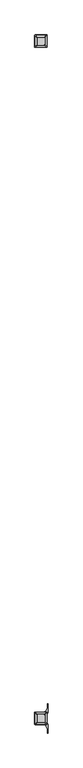
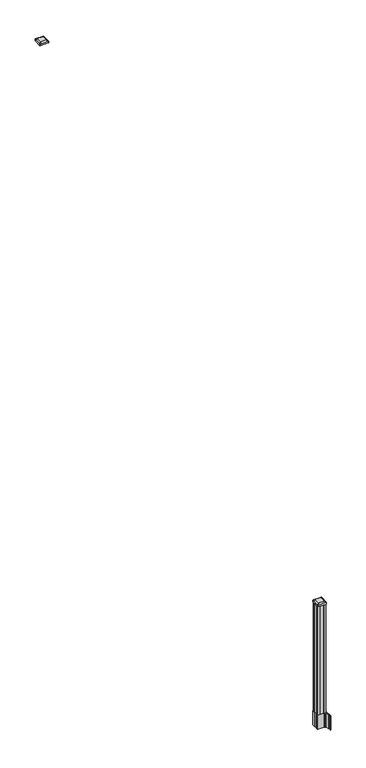
"""IFC4 building model written with IfcOpenShell, lengths in millimetres: railing geometry."""

from ifc_helpers import new_model, si_unit, point, frame, frame_2d, origin, place, context, project, spatial, polyline, circle_curve, trimmed, segment, composite_curve, outline, extrude, source, transform, mapped, element, save
from ifc_brep_helpers import plane_surface, extruded_surface, advanced_brep


def railing_0af5cdfb(model_context):
    return source(origin(), model_context, "Body", "SolidModel", [
        advanced_brep(
        [(8709.4626478, -82569.2327203, 4476.715513), (8712.6376478, -82566.0577203, 4476.715513), (8712.6376478, -82514.4639703, 4476.715513), (8709.4626478, -82511.2889703, 4476.715513), (8657.8688978, -82511.2889703, 4476.715513), (8654.6938978, -82514.4639703, 4476.715513), (8654.6938978, -82566.0577203, 4476.715513), (8657.8688978, -82569.2327203, 4476.715513), (8725.7345228, -82585.5045953, 4465.412513), (8641.5970228, -82585.5045953, 4465.412513), (8638.4220228, -82582.3295953, 4465.412513), (8638.4220228, -82498.1920953, 4465.412513), (8641.5970228, -82495.0170953, 4465.412513), (8725.7345228, -82495.0170953, 4465.412513), (8728.9095228, -82498.1920953, 4465.412513), (8728.9095228, -82582.3295953, 4465.412513)],
        [
            (0, 1, circle_curve(frame((8709.4626478, -82566.0577203, 4476.715513), z_axis=(0.0, 0.0, 1.0), x_axis=(0.0, 1.0, 0.0)), 3.175)),
            (1, 2),
            (2, 3, circle_curve(frame((8709.4626478, -82514.4639703, 4476.715513), z_axis=(0.0, 0.0, 1.0), x_axis=(0.0, 1.0, 0.0)), 3.175)),
            (3, 4),
            (4, 5, circle_curve(frame((8657.8688978, -82514.4639703, 4476.715513), z_axis=(0.0, 0.0, 1.0), x_axis=(0.0, 1.0, 0.0)), 3.175)),
            (5, 6),
            (6, 7, circle_curve(frame((8657.8688978, -82566.0577203, 4476.715513), z_axis=(0.0, 0.0, 1.0), x_axis=(0.0, 1.0, 0.0)), 3.175)),
            (7, 0),
            (8, 9),
            (9, 10, circle_curve(frame((8641.5970228, -82582.3295953, 4465.412513), z_axis=(0.0, 0.0, -1.0), x_axis=(0.0, 1.0, 0.0)), 3.175)),
            (10, 11),
            (11, 12, circle_curve(frame((8641.5970228, -82498.1920953, 4465.412513), z_axis=(0.0, 0.0, -1.0), x_axis=(0.0, 1.0, 0.0)), 3.175)),
            (12, 13),
            (13, 14, circle_curve(frame((8725.7345228, -82498.1920953, 4465.412513), z_axis=(0.0, 0.0, -1.0), x_axis=(0.0, 1.0, 0.0)), 3.175)),
            (14, 15),
            (15, 8, circle_curve(frame((8725.7345228, -82582.3295953, 4465.412513), z_axis=(0.0, 0.0, -1.0), x_axis=(0.0, 1.0, 0.0)), 3.175)),
            (15, 1),
            (0, 8),
            (14, 2),
            (13, 3),
            (12, 4),
            (11, 5),
            (10, 6),
            (9, 7),
        ],
        [
            plane_surface(frame((8683.6657728, -82540.2608453, 4476.715513), z_axis=(0.0, 0.0, 1.0), x_axis=(1.0, 0.0, 0.0))),
            plane_surface(frame((8683.6657728, -82540.2608453, 4465.412513), z_axis=(0.0, 0.0, -1.0), x_axis=(1.0, 0.0, 0.0))),
            extruded_surface(trimmed(circle_curve(frame((8725.7345228, -82582.3295953, 4465.412513), z_axis=(0.0, 0.0, 1.0), x_axis=(0.0, 1.0, 0.0)), 3.175), [point((8725.7345228, -82585.5045953, 4465.412513))], [point((8728.9095228, -82582.3295953, 4465.412513))], True, "CARTESIAN"), (-16.271875000000364, 16.27187500000582, 11.302999999999884), 25.637972638870036),
            plane_surface(frame((8728.9095228, -82540.2608453, 4465.412513), z_axis=(0.5705009161540685, 0.0, 0.8212969649690474), x_axis=(0.0, 1.0, 0.0))),
            extruded_surface(trimmed(circle_curve(frame((8725.7345228, -82498.1920953, 4465.412513), z_axis=(0.0, 0.0, 1.0), x_axis=(0.0, 1.0, 0.0)), 3.175), [point((8728.9095228, -82498.1920953, 4465.412513))], [point((8725.7345228, -82495.0170953, 4465.412513))], True, "CARTESIAN"), (-16.271875000000364, -16.27187500000582, 11.302999999999884), 25.637972638870036),
            plane_surface(frame((8683.6657728, -82495.0170953, 4465.412513), z_axis=(0.0, 0.5705009161540291, 0.8212969649690747), x_axis=(-1.0, 0.0, 0.0))),
            extruded_surface(trimmed(circle_curve(frame((8641.5970228, -82498.1920953, 4465.412513), z_axis=(0.0, 0.0, 1.0), x_axis=(0.0, 1.0, 0.0)), 3.175), [point((8641.5970228, -82495.0170953, 4465.412513))], [point((8638.4220228, -82498.1920953, 4465.412513))], True, "CARTESIAN"), (16.271874999998545, -16.27187500000582, 11.302999999999884), 25.63797263886888),
            plane_surface(frame((8638.4220228, -82540.2608453, 4465.412513), z_axis=(-0.5705009161540235, 0.0, 0.8212969649690786), x_axis=(0.0, -1.0, 0.0))),
            extruded_surface(trimmed(circle_curve(frame((8641.5970228, -82582.3295953, 4465.412513), z_axis=(0.0, 0.0, 1.0), x_axis=(0.0, 1.0, 0.0)), 3.175), [point((8638.4220228, -82582.3295953, 4465.412513))], [point((8641.5970228, -82585.5045953, 4465.412513))], True, "CARTESIAN"), (16.271874999998545, 16.27187500000582, 11.302999999999884), 25.63797263886888),
            plane_surface(frame((8683.6657728, -82585.5045953, 4465.412513), z_axis=(0.0, -0.570500916154034, 0.8212969649690713), x_axis=(1.0, 0.0, 0.0))),
        ],
        [
            (0, [[1, 2, 3, 4, 5, 6, 7, 8]]),
            (1, [[9, 10, 11, 12, 13, 14, 15, 16]]),
            (2, [[-16, 17, -1, 18]]),
            (3, [[-15, 19, -2, -17]]),
            (4, [[-14, 20, -3, -19]]),
            (5, [[-13, 21, -4, -20]]),
            (6, [[-12, 22, -5, -21]]),
            (7, [[-11, 23, -6, -22]]),
            (8, [[-10, 24, -7, -23]]),
            (9, [[-9, -18, -8, -24]]),
        ],
    ),
        extrude(outline(composite_curve([segment(polyline([(8725.7345228, -82585.5045953), (8641.5970228, -82585.5045953)]), True, "CONTINUOUS"), segment(trimmed(circle_curve(frame_2d((8641.5970228, -82582.3295953)), 3.175), [point((8641.5970228, -82585.5045953))], [point((8638.4220228, -82582.3295953))], False, "CARTESIAN"), True, "CONTINUOUS"), segment(polyline([(8638.4220228, -82582.3295953), (8638.4220228, -82498.1920953)]), True, "CONTINUOUS"), segment(trimmed(circle_curve(frame_2d((8641.5970228, -82498.1920953)), 3.175), [point((8638.4220228, -82498.1920953))], [point((8641.5970228, -82495.0170953))], False, "CARTESIAN"), True, "CONTINUOUS"), segment(polyline([(8641.5970228, -82495.0170953), (8725.7345228, -82495.0170953)]), True, "CONTINUOUS"), segment(trimmed(circle_curve(frame_2d((8725.7345228, -82498.1920953)), 3.175), [point((8725.7345228, -82495.0170953))], [point((8728.9095228, -82498.1920953))], False, "CARTESIAN"), True, "CONTINUOUS"), segment(polyline([(8728.9095228, -82498.1920953), (8728.9095228, -82582.3295953)]), True, "CONTINUOUS"), segment(trimmed(circle_curve(frame_2d((8725.7345228, -82582.3295953)), 3.175), [point((8728.9095228, -82582.3295953))], [point((8725.7345228, -82585.5045953))], False, "CARTESIAN"), True, "CONTINUOUS")], self_intersect=False)), frame((0.0, 0.0, 4448.140513), z_axis=(0.0, 0.0, 1.0), x_axis=(1.0, 0.0, 0.0)), (0.0, 0.0, 1.0), 17.272),
        extrude(outline(composite_curve([segment(polyline([(8640.9302728, -87517.2509401), (8640.9302728, -87482.4787504), (8639.3427728, -87481.7167504), (8639.3427728, -87458.9148224), (8642.7157498, -87455.5418453), (8704.1754206, -87455.5418453), (8704.1754206, -87454.6210953), (8709.4929645, -87454.6210953), (8709.4929645, -87453.1668406), (8714.5774942, -87453.1668406), (8714.5774942, -87451.8828168), (8716.2447665, -87451.8828168)]), True, "CONTINUOUS"), segment(trimmed(circle_curve(frame_2d((8716.2447665, -87444.8233569)), 7.0594599), [point((8716.2447665, -87451.8828168))], [point((8723.0120293, -87446.8333636))], True, "CARTESIAN"), True, "CONTINUOUS"), segment(polyline([(8723.0120293, -87446.8333636), (8730.8862236, -87420.3226345)]), True, "CONTINUOUS"), segment(trimmed(circle_curve(frame_2d((8676.1017103, -87404.0505848)), 57.15), [point((8730.8862236, -87420.3226345))], [point((8733.2517103, -87404.0505848))], True, "CARTESIAN"), True, "CONTINUOUS"), segment(polyline([(8733.2517103, -87404.0505848), (8733.2517103, -87392.0418453), (8736.2517103, -87392.0418453), (8736.2517103, -87457.1293453), (8727.9887728, -87468.4676366), (8727.9887728, -87481.7167504), (8726.4012728, -87482.4787504), (8726.4012728, -87517.2509401), (8727.9887728, -87518.0129401), (8727.9887728, -87531.262054), (8736.2517103, -87542.6003453), (8736.2517103, -87607.6878453), (8733.2517103, -87607.6878453), (8733.2517103, -87595.6791057)]), True, "CONTINUOUS"), segment(trimmed(circle_curve(frame_2d((8676.1017103, -87595.6791057)), 57.15), [point((8733.2517103, -87595.6791057))], [point((8730.8862236, -87579.4070561))], True, "CARTESIAN"), True, "CONTINUOUS"), segment(polyline([(8730.8862236, -87579.4070561), (8723.0120293, -87552.896327)]), True, "CONTINUOUS"), segment(trimmed(circle_curve(frame_2d((8716.2447665, -87554.9063337)), 7.0594599), [point((8723.0120293, -87552.896327))], [point((8716.2447665, -87547.8468738))], True, "CARTESIAN"), True, "CONTINUOUS"), segment(polyline([(8716.2447665, -87547.8468738), (8714.5774942, -87547.8468738), (8714.5774942, -87546.56285), (8709.4929645, -87546.56285), (8709.4929645, -87545.1085953), (8704.1754206, -87545.1085953), (8704.1754206, -87544.1878453), (8642.7157498, -87544.1878453), (8639.3427728, -87540.8148682), (8639.3427728, -87518.0129401), (8640.9302728, -87517.2509401)]), True, "CONTINUOUS")], self_intersect=False), holes=[polyline([(8724.9407728, -87460.1773453), (8723.3532728, -87458.5898453), (8686.4289902, -87458.5898453), (8643.9782728, -87458.5898453), (8642.3907728, -87460.1773453), (8642.3907728, -87539.5523453), (8643.9782728, -87541.1398453), (8686.4289902, -87541.1398453), (8723.3532728, -87541.1398453), (8724.9407728, -87539.5523453), (8724.9407728, -87460.1773453)])]), frame((0.0, 0.0, 12.22375), z_axis=(0.0, 0.0, 1.0), x_axis=(1.0, 0.0, 0.0)), (0.0, 0.0, 1.0), 152.4),
        advanced_brep(
        [(8709.4626478, -87528.8367203, 1376.963013), (8712.6376478, -87525.6617203, 1376.963013), (8712.6376478, -87474.0679703, 1376.963013), (8709.4626478, -87470.8929703, 1376.963013), (8657.8688978, -87470.8929703, 1376.963013), (8654.6938978, -87474.0679703, 1376.963013), (8654.6938978, -87525.6617203, 1376.963013), (8657.8688978, -87528.8367203, 1376.963013), (8725.7345228, -87545.1085953, 1365.660013), (8641.5970228, -87545.1085953, 1365.660013), (8638.4220228, -87541.9335953, 1365.660013), (8638.4220228, -87457.7960953, 1365.660013), (8641.5970228, -87454.6210953, 1365.660013), (8725.7345228, -87454.6210953, 1365.660013), (8728.9095228, -87457.7960953, 1365.660013), (8728.9095228, -87541.9335953, 1365.660013)],
        [
            (0, 1, circle_curve(frame((8709.4626478, -87525.6617203, 1376.963013), z_axis=(0.0, 0.0, 1.0), x_axis=(0.0, 1.0, 0.0)), 3.175)),
            (1, 2),
            (2, 3, circle_curve(frame((8709.4626478, -87474.0679703, 1376.963013), z_axis=(0.0, 0.0, 1.0), x_axis=(0.0, 1.0, 0.0)), 3.175)),
            (3, 4),
            (4, 5, circle_curve(frame((8657.8688978, -87474.0679703, 1376.963013), z_axis=(0.0, 0.0, 1.0), x_axis=(0.0, 1.0, 0.0)), 3.175)),
            (5, 6),
            (6, 7, circle_curve(frame((8657.8688978, -87525.6617203, 1376.963013), z_axis=(0.0, 0.0, 1.0), x_axis=(0.0, 1.0, 0.0)), 3.175)),
            (7, 0),
            (8, 9),
            (9, 10, circle_curve(frame((8641.5970228, -87541.9335953, 1365.660013), z_axis=(0.0, 0.0, -1.0), x_axis=(0.0, 1.0, 0.0)), 3.175)),
            (10, 11),
            (11, 12, circle_curve(frame((8641.5970228, -87457.7960953, 1365.660013), z_axis=(0.0, 0.0, -1.0), x_axis=(0.0, 1.0, 0.0)), 3.175)),
            (12, 13),
            (13, 14, circle_curve(frame((8725.7345228, -87457.7960953, 1365.660013), z_axis=(0.0, 0.0, -1.0), x_axis=(0.0, 1.0, 0.0)), 3.175)),
            (14, 15),
            (15, 8, circle_curve(frame((8725.7345228, -87541.9335953, 1365.660013), z_axis=(0.0, 0.0, -1.0), x_axis=(0.0, 1.0, 0.0)), 3.175)),
            (15, 1),
            (0, 8),
            (14, 2),
            (13, 3),
            (12, 4),
            (11, 5),
            (10, 6),
            (9, 7),
        ],
        [
            plane_surface(frame((8683.6657728, -87499.8648453, 1376.963013), z_axis=(0.0, 0.0, 1.0), x_axis=(1.0, 0.0, 0.0))),
            plane_surface(frame((8683.6657728, -87499.8648453, 1365.660013), z_axis=(0.0, 0.0, -1.0), x_axis=(1.0, 0.0, 0.0))),
            extruded_surface(trimmed(circle_curve(frame((8725.7345228, -87541.9335953, 1365.660013), z_axis=(0.0, 0.0, 1.0), x_axis=(0.0, 1.0, 0.0)), 3.175), [point((8725.7345228, -87545.1085953, 1365.660013))], [point((8728.9095228, -87541.9335953, 1365.660013))], True, "CARTESIAN"), (-16.271875000000364, 16.27187499999127, 11.303000000000111), 25.6379726388609),
            plane_surface(frame((8728.9095228, -87499.8648453, 1365.660013), z_axis=(0.5705009161540778, 0.0, 0.8212969649690408), x_axis=(0.0, 1.0, 0.0))),
            extruded_surface(trimmed(circle_curve(frame((8725.7345228, -87457.7960953, 1365.660013), z_axis=(0.0, 0.0, 1.0), x_axis=(0.0, 1.0, 0.0)), 3.175), [point((8728.9095228, -87457.7960953, 1365.660013))], [point((8725.7345228, -87454.6210953, 1365.660013))], True, "CARTESIAN"), (-16.271875000000364, -16.27187500000582, 11.303000000000111), 25.63797263887014),
            plane_surface(frame((8683.6657728, -87454.6210953, 1365.660013), z_axis=(0.0, 0.5705009161540291, 0.8212969649690747), x_axis=(-1.0, 0.0, 0.0))),
            extruded_surface(trimmed(circle_curve(frame((8641.5970228, -87457.7960953, 1365.660013), z_axis=(0.0, 0.0, 1.0), x_axis=(0.0, 1.0, 0.0)), 3.175), [point((8641.5970228, -87454.6210953, 1365.660013))], [point((8638.4220228, -87457.7960953, 1365.660013))], True, "CARTESIAN"), (16.271874999998545, -16.27187500000582, 11.303000000000111), 25.63797263886898),
            plane_surface(frame((8638.4220228, -87499.8648453, 1365.660013), z_axis=(-0.5705009161540142, 0.0, 0.8212969649690851), x_axis=(0.0, -1.0, 0.0))),
            extruded_surface(trimmed(circle_curve(frame((8641.5970228, -87541.9335953, 1365.660013), z_axis=(0.0, 0.0, 1.0), x_axis=(0.0, 1.0, 0.0)), 3.175), [point((8638.4220228, -87541.9335953, 1365.660013))], [point((8641.5970228, -87545.1085953, 1365.660013))], True, "CARTESIAN"), (16.271874999998545, 16.27187499999127, 11.303000000000111), 25.637972638859747),
            plane_surface(frame((8683.6657728, -87545.1085953, 1365.660013), z_axis=(0.0, -0.570500916154034, 0.8212969649690713), x_axis=(1.0, 0.0, 0.0))),
        ],
        [
            (0, [[1, 2, 3, 4, 5, 6, 7, 8]]),
            (1, [[9, 10, 11, 12, 13, 14, 15, 16]]),
            (2, [[-16, 17, -1, 18]]),
            (3, [[-15, 19, -2, -17]]),
            (4, [[-14, 20, -3, -19]]),
            (5, [[-13, 21, -4, -20]]),
            (6, [[-12, 22, -5, -21]]),
            (7, [[-11, 23, -6, -22]]),
            (8, [[-10, 24, -7, -23]]),
            (9, [[-9, -18, -8, -24]]),
        ],
    ),
        extrude(outline(composite_curve([segment(polyline([(8725.7345228, -87545.1085953), (8641.5970228, -87545.1085953)]), True, "CONTINUOUS"), segment(trimmed(circle_curve(frame_2d((8641.5970228, -87541.9335953)), 3.175), [point((8641.5970228, -87545.1085953))], [point((8638.4220228, -87541.9335953))], False, "CARTESIAN"), True, "CONTINUOUS"), segment(polyline([(8638.4220228, -87541.9335953), (8638.4220228, -87457.7960953)]), True, "CONTINUOUS"), segment(trimmed(circle_curve(frame_2d((8641.5970228, -87457.7960953)), 3.175), [point((8638.4220228, -87457.7960953))], [point((8641.5970228, -87454.6210953))], False, "CARTESIAN"), True, "CONTINUOUS"), segment(polyline([(8641.5970228, -87454.6210953), (8725.7345228, -87454.6210953)]), True, "CONTINUOUS"), segment(trimmed(circle_curve(frame_2d((8725.7345228, -87457.7960953)), 3.175), [point((8725.7345228, -87454.6210953))], [point((8728.9095228, -87457.7960953))], False, "CARTESIAN"), True, "CONTINUOUS"), segment(polyline([(8728.9095228, -87457.7960953), (8728.9095228, -87541.9335953)]), True, "CONTINUOUS"), segment(trimmed(circle_curve(frame_2d((8725.7345228, -87541.9335953)), 3.175), [point((8728.9095228, -87541.9335953))], [point((8725.7345228, -87545.1085953))], False, "CARTESIAN"), True, "CONTINUOUS")], self_intersect=False)), frame((0.0, 0.0, 1348.388013), z_axis=(0.0, 0.0, 1.0), x_axis=(1.0, 0.0, 0.0)), (0.0, 0.0, 1.0), 17.272),
        extrude(outline(polyline([(8723.3532728, -87541.1398453), (8703.7317728, -87541.1398453), (8702.9697728, -87539.5523453), (8664.3617728, -87539.5523453), (8663.5997728, -87541.1398453), (8643.9782728, -87541.1398453), (8642.3907728, -87539.5523453), (8642.3907728, -87519.9308453), (8643.9782728, -87519.1688453), (8643.9782728, -87480.5608453), (8642.3907728, -87479.7988453), (8642.3907728, -87460.1773453), (8643.9782728, -87458.5898453), (8663.5997728, -87458.5898453), (8664.3617728, -87460.1773453), (8702.9697728, -87460.1773453), (8703.7317728, -87458.5898453), (8723.3532728, -87458.5898453), (8724.9407728, -87460.1773453), (8724.9407728, -87479.7988453), (8723.3532728, -87480.5608453), (8723.3532728, -87519.1688453), (8724.9407728, -87519.9308453), (8724.9407728, -87539.5523453), (8723.3532728, -87541.1398453)])), frame((0.0, 0.0, 164.62375), z_axis=(0.0, 0.0, 1.0), x_axis=(1.0, 0.0, 0.0)), (0.0, 0.0, 1.0), 1183.764263),
    ])


if __name__ == "__main__":
    model = new_model("IFC4")
    model_context = context("Model", 3, world=origin())
    ifc_project = project(units=[si_unit("LENGTHUNIT", "METRE", prefix="MILLI")], contexts=[model_context])
    site = spatial("IfcSite", under=ifc_project)
    building = spatial("IfcBuilding", under=site)
    placement = place(None, origin())
    railing_shape = railing_0af5cdfb(model_context)
    element("IfcRailing", 1, at=placement, inside=building, context=model_context, shape_type="MappedRepresentation", body=[
        mapped(railing_shape, transform((0.0, 0.0, 0.0), x_axis=(1.0, 0.0, 0.0), y_axis=(0.0, 1.0, 0.0), z_axis=(0.0, 0.0, 1.0))),
    ])
    save(model, "model.ifc")
